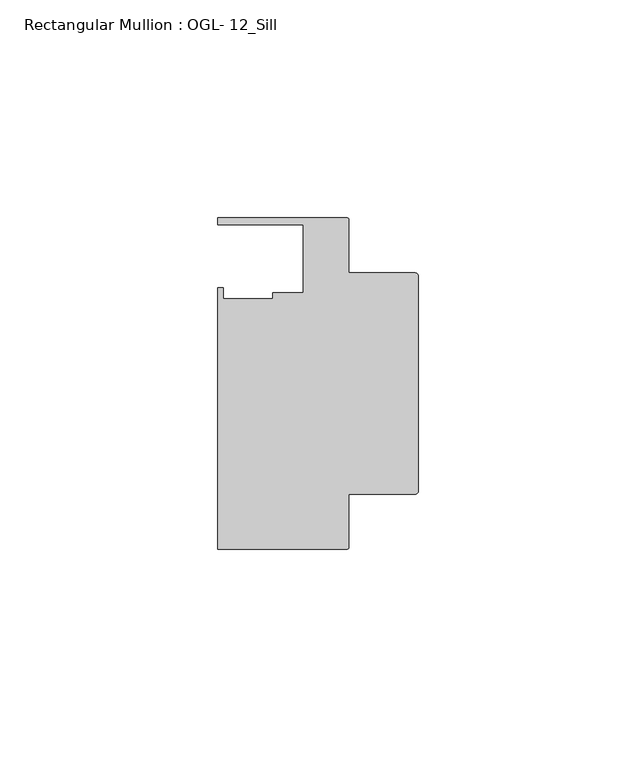
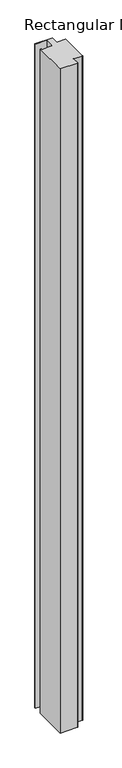
"""IFC4 building model written with IfcOpenShell, lengths in millimetres: member geometry, Rectangular Mullion : OGL- 12_Sill."""

from ifc_helpers import new_model, si_unit, point, frame, frame_2d, origin, place, context, project, spatial, polyline, circle_curve, trimmed, segment, composite_curve, outline, extrude, source, transform, mapped, element, save


def rectangular_mullion_ogl_12_sill_10517872(model_context):
    return source(origin(), model_context, "Body", "SweptSolid", [
        extrude(outline(composite_curve([segment(polyline([(-0.5953125, -25.4), (-15.8750672, -25.4), (-15.8750672, -37.5043667)]), True, "CONTINUOUS"), segment(trimmed(circle_curve(frame_2d((-16.4703797, -37.5043667)), 0.5953125), [point((-15.8750672, -37.5043667))], [point((-16.4703797, -38.0996792))], False, "CARTESIAN"), True, "CONTINUOUS"), segment(polyline([(-16.4703797, -38.0996792), (-46.0339598, -38.0996792), (-46.0339598, 21.9710976), (-44.7780305, 21.9710976), (-44.7780305, 19.4824275), (-33.3985545, 19.4824275), (-33.3985545, 20.8257348), (-26.3720794, 20.8257348), (-26.3720794, 36.512516), (-46.0248655, 36.512516), (-46.0248655, 38.100016), (-16.4703797, 38.100016)]), True, "CONTINUOUS"), segment(trimmed(circle_curve(frame_2d((-16.4703797, 37.5047035)), 0.5953125), [point((-16.4703797, 38.100016))], [point((-15.8750672, 37.5047035))], False, "CARTESIAN"), True, "CONTINUOUS"), segment(polyline([(-15.8750672, 37.5047035), (-15.8750672, 25.4), (-0.5953125, 25.4)]), True, "CONTINUOUS"), segment(trimmed(circle_curve(frame_2d((-0.5953125, 24.8046875)), 0.5953125), [point((-0.5953125, 25.4))], [point((0.0, 24.8046875))], False, "CARTESIAN"), True, "CONTINUOUS"), segment(polyline([(0.0, 24.8046875), (0.0, -24.8046875)]), True, "CONTINUOUS"), segment(trimmed(circle_curve(frame_2d((-0.5953125, -24.8046875)), 0.5953125), [point((0.0, -24.8046875))], [point((-0.5953125, -25.4))], False, "CARTESIAN"), True, "CONTINUOUS")], self_intersect=False)), frame((0.0, 0.0, -1216.1186582), z_axis=(0.0, 0.0, 1.0), x_axis=(1.0, 0.0, 0.0)), (0.0, 0.0, 1.0), 1216.1186582),
    ])


if __name__ == "__main__":
    model = new_model("IFC4")
    model_context = context("Model", 3, world=origin())
    ifc_project = project(units=[si_unit("LENGTHUNIT", "METRE", prefix="MILLI")], contexts=[model_context])
    site = spatial("IfcSite", under=ifc_project)
    building = spatial("IfcBuilding", under=site)
    placement = place(None, origin())
    rectangular_mullion_ogl_12_sill_shape = rectangular_mullion_ogl_12_sill_10517872(model_context)
    element("IfcMember", 1, ObjectType="Rectangular Mullion : OGL- 12_Sill", at=placement, inside=building, context=model_context, shape_type="MappedRepresentation", body=[
        mapped(rectangular_mullion_ogl_12_sill_shape, transform((0.0, 0.0, 0.0), x_axis=(1.0, 0.0, 0.0), y_axis=(0.0, 1.0, 0.0), z_axis=(0.0, 0.0, 1.0))),
    ])
    save(model, "model.ifc")
